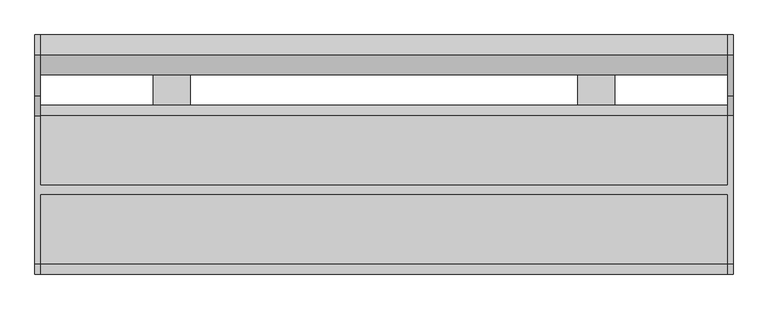
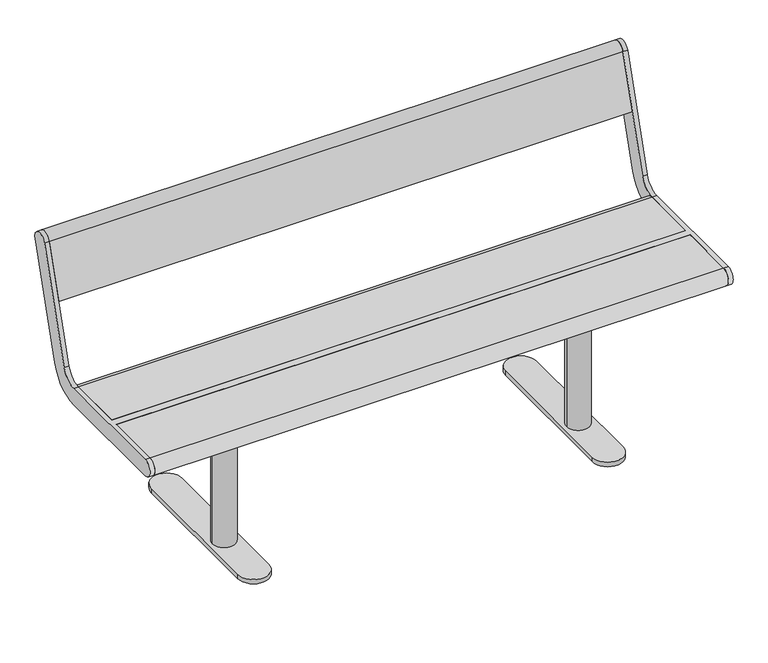
"""IFC4 building model written with IfcOpenShell, lengths in millimetres: furniture geometry."""

from ifc_helpers import new_model, si_unit, point, frame, frame_2d, origin, origin_with_axes, place, context, project, spatial, polyline, circle_curve, trimmed, segment, composite_curve, outline, extrude, source, transform, mapped, element, save
from ifc_brep_helpers import plane_surface, cylinder_surface, revolved_surface, advanced_brep


def furniture_578277a4(model_context):
    return source(origin(), model_context, "Body", "SolidModel", [
        extrude(outline(composite_curve([segment(trimmed(circle_curve(frame_2d((460.0, 257.0)), 17.0), [point((477.0, 257.0))], [point((443.0, 257.0))], False, "CARTESIAN"), True, "CONTINUOUS"), segment(trimmed(circle_curve(frame_2d((460.0, 257.0)), 17.0), [point((443.0, 257.0))], [point((477.0, 257.0))], False, "CARTESIAN"), True, "CONTINUOUS")], self_intersect=False)), origin_with_axes(), (0.0, 0.0, 1.0), 15.0),
        extrude(outline(composite_curve([segment(trimmed(circle_curve(frame_2d((460.0, -133.0)), 17.0), [point((477.0, -133.0))], [point((443.0, -133.0))], False, "CARTESIAN"), True, "CONTINUOUS"), segment(trimmed(circle_curve(frame_2d((460.0, -133.0)), 17.0), [point((443.0, -133.0))], [point((477.0, -133.0))], False, "CARTESIAN"), True, "CONTINUOUS")], self_intersect=False)), origin_with_axes(), (0.0, 0.0, 1.0), 15.0),
        extrude(outline(composite_curve([segment(trimmed(circle_curve(frame_2d((460.0, 0.0)), 30.0), [point((490.0, 0.0))], [point((430.0, 0.0))], False, "CARTESIAN"), True, "CONTINUOUS"), segment(trimmed(circle_curve(frame_2d((460.0, 0.0)), 30.0), [point((430.0, 0.0))], [point((490.0, 0.0))], False, "CARTESIAN"), True, "CONTINUOUS")], self_intersect=False)), frame((0.0, 0.0, 27.0), z_axis=(0.0, 0.0, 1.0), x_axis=(1.0, 0.0, 0.0)), (0.0, 0.0, 1.0), 362.0),
        extrude(outline(polyline([(535.0, -125.0), (385.0, -125.0), (385.0, 125.0), (535.0, 125.0), (535.0, -125.0)])), frame((0.0, 0.0, 389.0), z_axis=(0.0, 0.0, 1.0), x_axis=(1.0, 0.0, 0.0)), (0.0, 0.0, 1.0), 16.0),
        extrude(outline(composite_curve([segment(trimmed(circle_curve(frame_2d((460.0, -133.0)), 40.0), [point((500.0, -133.0))], [point((420.0, -133.0))], False, "CARTESIAN"), True, "CONTINUOUS"), segment(polyline([(420.0, -133.0), (420.0, 257.0)]), True, "CONTINUOUS"), segment(trimmed(circle_curve(frame_2d((460.0, 257.0)), 40.0), [point((420.0, 257.0))], [point((500.0, 257.0))], False, "CARTESIAN"), True, "CONTINUOUS"), segment(polyline([(500.0, 257.0), (500.0, -133.0)]), True, "CONTINUOUS")], self_intersect=False)), frame((0.0, 0.0, 15.0), z_axis=(0.0, 0.0, 1.0), x_axis=(1.0, 0.0, 0.0)), (0.0, 0.0, 1.0), 12.0),
        extrude(outline(composite_curve([segment(trimmed(circle_curve(frame_2d((-460.0, 257.0)), 17.0), [point((-477.0, 257.0))], [point((-443.0, 257.0))], False, "CARTESIAN"), True, "CONTINUOUS"), segment(trimmed(circle_curve(frame_2d((-460.0, 257.0)), 17.0), [point((-443.0, 257.0))], [point((-477.0, 257.0))], False, "CARTESIAN"), True, "CONTINUOUS")], self_intersect=False)), origin_with_axes(), (0.0, 0.0, 1.0), 15.0),
        extrude(outline(composite_curve([segment(trimmed(circle_curve(frame_2d((-460.0, -133.0)), 17.0), [point((-477.0, -133.0))], [point((-443.0, -133.0))], False, "CARTESIAN"), True, "CONTINUOUS"), segment(trimmed(circle_curve(frame_2d((-460.0, -133.0)), 17.0), [point((-443.0, -133.0))], [point((-477.0, -133.0))], False, "CARTESIAN"), True, "CONTINUOUS")], self_intersect=False)), origin_with_axes(), (0.0, 0.0, 1.0), 15.0),
        extrude(outline(composite_curve([segment(trimmed(circle_curve(frame_2d((-460.0, 0.0)), 30.0), [point((-490.0, 0.0))], [point((-430.0, 0.0))], False, "CARTESIAN"), True, "CONTINUOUS"), segment(trimmed(circle_curve(frame_2d((-460.0, 0.0)), 30.0), [point((-430.0, 0.0))], [point((-490.0, 0.0))], False, "CARTESIAN"), True, "CONTINUOUS")], self_intersect=False)), frame((0.0, 0.0, 27.0), z_axis=(0.0, 0.0, 1.0), x_axis=(1.0, 0.0, 0.0)), (0.0, 0.0, 1.0), 362.0),
        extrude(outline(polyline([(-535.0, -125.0), (-535.0, 125.0), (-385.0, 125.0), (-385.0, -125.0), (-535.0, -125.0)])), frame((0.0, 0.0, 389.0), z_axis=(0.0, 0.0, 1.0), x_axis=(1.0, 0.0, 0.0)), (0.0, 0.0, 1.0), 16.0),
        extrude(outline(composite_curve([segment(polyline([(-500.0, -133.0), (-500.0, 257.0)]), True, "CONTINUOUS"), segment(trimmed(circle_curve(frame_2d((-460.0, 257.0)), 40.0), [point((-500.0, 257.0))], [point((-420.0, 257.0))], False, "CARTESIAN"), True, "CONTINUOUS"), segment(polyline([(-420.0, 257.0), (-420.0, -133.0)]), True, "CONTINUOUS"), segment(trimmed(circle_curve(frame_2d((-460.0, -133.0)), 40.0), [point((-420.0, -133.0))], [point((-500.0, -133.0))], False, "CARTESIAN"), True, "CONTINUOUS")], self_intersect=False)), frame((0.0, 0.0, 15.0), z_axis=(0.0, 0.0, 1.0), x_axis=(1.0, 0.0, 0.0)), (0.0, 0.0, 1.0), 12.0),
        advanced_brep(
        [(-745.0, 291.5375971, 769.6910048), (-745.0, 203.533714, 481.8432733), (-745.0, 160.5, 450.0), (-745.0, 10.0, 450.0), (-745.0, 10.0, 405.0), (-745.0, 160.5, 405.0), (-745.0, 246.567428, 468.6865466), (-745.0, 334.5713112, 756.5342781), (-745.0, -160.5, 450.0), (-745.0, -160.5, 405.0), (-745.0, -10.0, 405.0), (-745.0, -10.0, 450.0), (-757.0, 291.5375971, 769.6910048), (-757.0, 334.5713112, 756.5342781), (-757.0, 246.567428, 468.6865466), (-757.0, 160.5, 405.0), (-757.0, -160.5, 405.0), (-757.0, -160.5, 450.0), (-757.0, 160.5, 450.0), (-757.0, 203.533714, 481.8432733), (745.0, -10.0, 450.0), (745.0, -160.5, 450.0), (757.0, -160.5, 450.0), (757.0, 160.5, 450.0), (745.0, 160.5, 450.0), (745.0, 10.0, 450.0), (745.0, 10.0, 405.0), (745.0, 160.5, 405.0), (757.0, 160.5, 405.0), (757.0, -160.5, 405.0), (745.0, -160.5, 405.0), (745.0, -10.0, 405.0), (757.0, 291.5375971, 769.6910048), (757.0, 203.533714, 481.8432733), (757.0, 246.567428, 468.6865466), (757.0, 334.5713112, 756.5342781), (745.0, 291.5375971, 769.6910048), (745.0, 334.5713112, 756.5342781), (745.0, 246.567428, 468.6865466), (745.0, 203.533714, 481.8432733)],
        [
            (0, 1),
            (1, 2, circle_curve(frame((-745.0, 160.5, 495.0), z_axis=(-1.0, 0.0, 0.0), x_axis=(0.0, -1.0, 0.0)), 45.0)),
            (2, 3),
            (3, 4),
            (4, 5),
            (5, 6, circle_curve(frame((-745.0, 160.5, 495.0), z_axis=(1.0, 0.0, 0.0), x_axis=(0.0, -1.0, 0.0)), 90.0)),
            (6, 7),
            (7, 0, circle_curve(frame((-745.0, 313.0544541, 763.1126415), z_axis=(1.0, 0.0, 0.0), x_axis=(0.0, -1.0, 0.0)), 22.5)),
            (8, 9, circle_curve(frame((-745.0, -160.5, 427.5), z_axis=(1.0, 0.0, 0.0), x_axis=(0.0, -1.0, 0.0)), 22.5)),
            (9, 10),
            (10, 11),
            (11, 8),
            (12, 13, circle_curve(frame((-757.0, 313.0544541, 763.1126415), z_axis=(-1.0, 0.0, 0.0), x_axis=(0.0, -1.0, 0.0)), 22.5)),
            (13, 14),
            (14, 15, circle_curve(frame((-757.0, 160.5, 495.0), z_axis=(-1.0, 0.0, 0.0), x_axis=(0.0, -1.0, 0.0)), 90.0)),
            (15, 16),
            (16, 17, circle_curve(frame((-757.0, -160.5, 427.5), z_axis=(-1.0, 0.0, 0.0), x_axis=(0.0, -1.0, 0.0)), 22.5)),
            (17, 18),
            (18, 19, circle_curve(frame((-757.0, 160.5, 495.0), z_axis=(1.0, 0.0, 0.0), x_axis=(0.0, -1.0, 0.0)), 45.0)),
            (19, 12),
            (0, 12),
            (19, 1),
            (18, 2),
            (17, 8),
            (11, 20),
            (20, 21),
            (21, 22),
            (22, 23),
            (23, 24),
            (24, 25),
            (25, 3),
            (15, 5),
            (4, 26),
            (26, 27),
            (27, 28),
            (28, 29),
            (29, 30),
            (30, 31),
            (31, 10),
            (9, 16),
            (14, 6),
            (13, 7),
            (31, 20),
            (25, 26),
            (32, 33),
            (33, 23, circle_curve(frame((757.0, 160.5, 495.0), z_axis=(-1.0, 0.0, 0.0), x_axis=(0.0, -1.0, 0.0)), 45.0)),
            (22, 29, circle_curve(frame((757.0, -160.5, 427.5), z_axis=(1.0, 0.0, 0.0), x_axis=(0.0, -1.0, 0.0)), 22.5)),
            (28, 34, circle_curve(frame((757.0, 160.5, 495.0), z_axis=(1.0, 0.0, 0.0), x_axis=(0.0, -1.0, 0.0)), 90.0)),
            (34, 35),
            (35, 32, circle_curve(frame((757.0, 313.0544541, 763.1126415), z_axis=(1.0, 0.0, 0.0), x_axis=(0.0, -1.0, 0.0)), 22.5)),
            (36, 37, circle_curve(frame((745.0, 313.0544541, 763.1126415), z_axis=(-1.0, 0.0, 0.0), x_axis=(0.0, -1.0, 0.0)), 22.5)),
            (37, 38),
            (38, 27, circle_curve(frame((745.0, 160.5, 495.0), z_axis=(-1.0, 0.0, 0.0), x_axis=(0.0, -1.0, 0.0)), 90.0)),
            (24, 39, circle_curve(frame((745.0, 160.5, 495.0), z_axis=(1.0, 0.0, 0.0), x_axis=(0.0, -1.0, 0.0)), 45.0)),
            (39, 36),
            (30, 21, circle_curve(frame((745.0, -160.5, 427.5), z_axis=(-1.0, 0.0, 0.0), x_axis=(0.0, -1.0, 0.0)), 22.5)),
            (32, 36),
            (39, 33),
            (38, 34),
            (37, 35),
        ],
        [
            plane_surface(frame((-745.0, 203.533714, 481.8432733), z_axis=(1.0, 0.0, 0.0), x_axis=(0.0, -0.29237170472273366, -0.9563047559630364))),
            plane_surface(frame((-757.0, 203.533714, 481.8432733), z_axis=(-1.0, 0.0, 0.0), x_axis=(0.0, 0.29237170472273366, 0.9563047559630364))),
            plane_surface(frame((-745.0, 291.5375971, 769.6910048), z_axis=(0.0, -0.9563047559630364, 0.29237170472273366), x_axis=(-1.0, 0.0, 0.0))),
            revolved_surface(polyline([(-757.0, 115.5, 495.0), (-745.0, 115.5, 495.0)]), (-757.0, 160.5, 495.0), (-1.0, 0.0, 0.0)),
            plane_surface(frame((-745.0, 160.5, 450.0), z_axis=(0.0, 0.0, 1.0), x_axis=(-1.0, 0.0, 0.0))),
            plane_surface(frame((-745.0, -160.5, 405.0), z_axis=(0.0, 0.0, -1.0), x_axis=(-1.0, 0.0, 0.0))),
            cylinder_surface(frame((-757.0, 160.5, 495.0), z_axis=(1.0, 0.0, 0.0), x_axis=(0.0, -1.0, 0.0)), 90.0),
            plane_surface(frame((-745.0, 246.567428, 468.6865466), z_axis=(0.0, 0.9563047559630364, -0.29237170472273366), x_axis=(-1.0, 0.0, 0.0))),
            cylinder_surface(frame((-757.0, 313.0544541, 763.1126415), z_axis=(1.0, 0.0, 0.0), x_axis=(0.0, -1.0, 0.0)), 22.5),
            cylinder_surface(frame((-757.0, -160.5, 427.5), z_axis=(1.0, 0.0, 0.0), x_axis=(0.0, -1.0, 0.0)), 22.5),
            plane_surface(frame((745.0, -10.0, 450.0), z_axis=(0.0, -1.0, 0.0), x_axis=(-1.0, 0.0, 0.0))),
            plane_surface(frame((745.0, 10.0, 405.0), z_axis=(0.0, 1.0, 0.0), x_axis=(-1.0, 0.0, 0.0))),
            plane_surface(frame((757.0, 203.533714, 481.8432733), z_axis=(1.0, 0.0, 0.0), x_axis=(0.0, -0.29237170472273366, -0.9563047559630364))),
            plane_surface(frame((745.0, 203.533714, 481.8432733), z_axis=(-1.0, 0.0, 0.0), x_axis=(0.0, 0.29237170472273366, 0.9563047559630364))),
            plane_surface(frame((757.0, 291.5375971, 769.6910048), z_axis=(0.0, -0.9563047559630364, 0.29237170472273366), x_axis=(-1.0, 0.0, 0.0))),
            revolved_surface(polyline([(745.0, 115.5, 495.0), (757.0, 115.5, 495.0)]), (745.0, 160.5, 495.0), (-1.0, 0.0, 0.0)),
            cylinder_surface(frame((745.0, 160.5, 495.0), z_axis=(1.0, 0.0, 0.0), x_axis=(0.0, -1.0, 0.0)), 90.0),
            plane_surface(frame((757.0, 246.567428, 468.6865466), z_axis=(0.0, 0.9563047559630364, -0.29237170472273366), x_axis=(-1.0, 0.0, 0.0))),
            cylinder_surface(frame((745.0, 313.0544541, 763.1126415), z_axis=(1.0, 0.0, 0.0), x_axis=(0.0, -1.0, 0.0)), 22.5),
            cylinder_surface(frame((745.0, -160.5, 427.5), z_axis=(1.0, 0.0, 0.0), x_axis=(0.0, -1.0, 0.0)), 22.5),
        ],
        [
            (0, [[1, 2, 3, 4, 5, 6, 7, 8]]),
            (0, [[9, 10, 11, 12]]),
            (1, [[13, 14, 15, 16, 17, 18, 19, 20]]),
            (2, [[-1, 21, -20, 22]]),
            (3, [[-2, -22, -19, 23]]),
            (4, [[-18, 24, -12, 25, 26, 27, 28, 29, 30, 31, -3, -23]]),
            (5, [[-16, 32, -5, 33, 34, 35, 36, 37, 38, 39, -10, 40]]),
            (6, [[-6, -32, -15, 41]]),
            (7, [[-7, -41, -14, 42]]),
            (8, [[-8, -42, -13, -21]]),
            (9, [[-9, -24, -17, -40]]),
            (10, [[-25, -11, -39, 43]]),
            (11, [[-31, 44, -33, -4]]),
            (12, [[45, 46, -28, 47, -36, 48, 49, 50]]),
            (13, [[51, 52, 53, -34, -44, -30, 54, 55]]),
            (13, [[56, -26, -43, -38]]),
            (14, [[-45, 57, -55, 58]]),
            (15, [[-46, -58, -54, -29]]),
            (16, [[-48, -35, -53, 59]]),
            (17, [[-49, -59, -52, 60]]),
            (18, [[-50, -60, -51, -57]]),
            (19, [[-47, -27, -56, -37]]),
        ],
    ),
        extrude(outline(composite_curve([segment(trimmed(circle_curve(frame_2d((313.0544541, 763.1126415)), 22.5), [point((291.5375971, 769.6910048))], [point((334.5713112, 756.5342781))], False, "CARTESIAN"), True, "CONTINUOUS"), segment(polyline([(334.5713112, 756.5342781), (292.0312281, 617.3919361), (248.9975141, 630.5486628), (291.5375971, 769.6910048)]), True, "CONTINUOUS")], self_intersect=False)), frame((-745.0, 0.0, 0.0), z_axis=(1.0, 0.0, 0.0), x_axis=(0.0, 1.0, 0.0)), (0.0, 0.0, 1.0), 1490.0),
        extrude(outline(composite_curve([segment(polyline([(10.0, 405.0), (10.0, 450.0), (160.5, 450.0)]), True, "CONTINUOUS"), segment(trimmed(circle_curve(frame_2d((160.5, 427.5)), 22.5), [point((160.5, 450.0))], [point((160.5, 405.0))], False, "CARTESIAN"), True, "CONTINUOUS"), segment(polyline([(160.5, 405.0), (10.0, 405.0)]), True, "CONTINUOUS")], self_intersect=False)), frame((-745.0, 0.0, 0.0), z_axis=(1.0, 0.0, 0.0), x_axis=(0.0, 1.0, 0.0)), (0.0, 0.0, 1.0), 1490.0),
        extrude(outline(composite_curve([segment(polyline([(-10.0, 405.0), (-160.5, 405.0)]), True, "CONTINUOUS"), segment(trimmed(circle_curve(frame_2d((-160.5, 427.5)), 22.5), [point((-160.5, 405.0))], [point((-160.5, 450.0))], False, "CARTESIAN"), True, "CONTINUOUS"), segment(polyline([(-160.5, 450.0), (-10.0, 450.0), (-10.0, 405.0)]), True, "CONTINUOUS")], self_intersect=False)), frame((-745.0, 0.0, 0.0), z_axis=(1.0, 0.0, 0.0), x_axis=(0.0, 1.0, 0.0)), (0.0, 0.0, 1.0), 1490.0),
    ])


if __name__ == "__main__":
    model = new_model("IFC4")
    model_context = context("Model", 3, world=origin())
    ifc_project = project(units=[si_unit("LENGTHUNIT", "METRE", prefix="MILLI")], contexts=[model_context])
    site = spatial("IfcSite", under=ifc_project)
    building = spatial("IfcBuilding", under=site)
    placement = place(None, origin())
    furniture_shape = furniture_578277a4(model_context)
    element("IfcFurniture", 1, at=placement, inside=building, context=model_context, shape_type="MappedRepresentation", body=[
        mapped(furniture_shape, transform((0.0, 0.0, 0.0), x_axis=(1.0, 0.0, 0.0), y_axis=(0.0, 1.0, 0.0), z_axis=(0.0, 0.0, 1.0))),
    ])
    save(model, "model.ifc")
